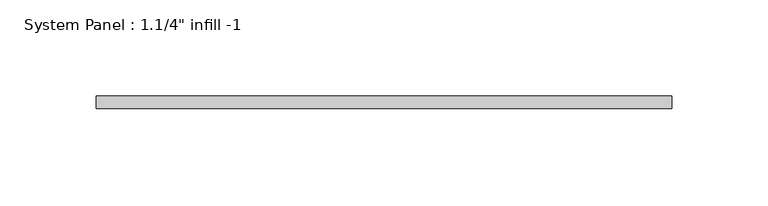
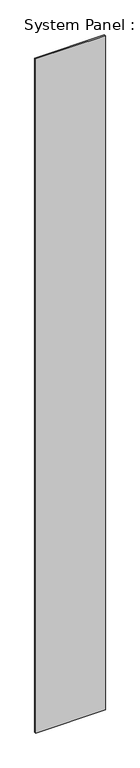
"""IFC4 building model written with IfcOpenShell, lengths in millimetres: plate geometry."""

from ifc_helpers import new_model, si_unit, origin, origin_with_axes, place, context, project, spatial, polyline, outline, extrude, source, transform, mapped, element, save


def plate_08f96e34(model_context):
    return source(origin(), model_context, "Body", "SweptSolid", [
        extrude(outline(polyline([(149.225, -6.35), (-149.225, -6.35), (-149.225, 0.0), (149.225, 0.0), (149.225, -6.35)])), origin_with_axes(), (0.0, 0.0, 1.0), 3048.0),
    ])


if __name__ == "__main__":
    model = new_model("IFC4")
    model_context = context("Model", 3, world=origin())
    ifc_project = project(units=[si_unit("LENGTHUNIT", "METRE", prefix="MILLI")], contexts=[model_context])
    site = spatial("IfcSite", under=ifc_project)
    building = spatial("IfcBuilding", under=site)
    placement = place(None, origin())
    plate_shape = plate_08f96e34(model_context)
    element("IfcPlate", 1, ObjectType="System Panel : 1.1/4\" infill -1", at=placement, inside=building, context=model_context, shape_type="MappedRepresentation", body=[
        mapped(plate_shape, transform((0.0, 0.0, 0.0), x_axis=(1.0, 0.0, 0.0), y_axis=(0.0, 1.0, 0.0), z_axis=(0.0, 0.0, 1.0))),
    ])
    save(model, "model.ifc")
